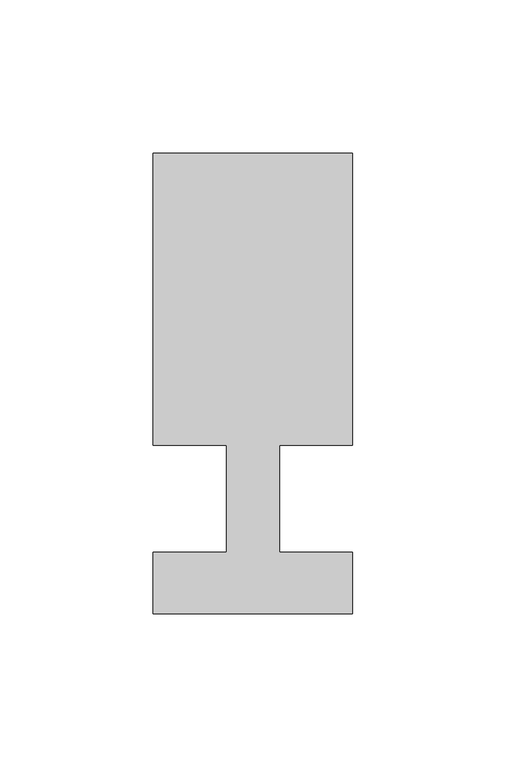
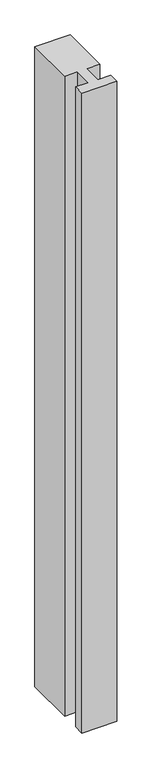
"""IFC4 building model written with IfcOpenShell, lengths in millimetres: member geometry."""

from ifc_helpers import new_model, si_unit, frame, origin, place, context, project, spatial, polyline, outline, extrude, source, transform, mapped, element, save


def member_efb3ffd8(model_context):
    return source(origin(), model_context, "Body", "SweptSolid", [
        extrude(outline(polyline([(-32.5, -37.0), (-32.5, -17.0), (-8.6875, -17.0), (-8.6875, 18.0), (-32.5, 18.0), (-32.5, 113.0), (32.5, 113.0), (32.5, 18.0), (8.6875, 18.0), (8.6875, -17.0), (32.5, -17.0), (32.5, -37.0), (-32.5, -37.0)])), frame((0.0, 0.0, -1250.0), z_axis=(0.0, 0.0, 1.0), x_axis=(1.0, 0.0, 0.0)), (0.0, 0.0, 1.0), 1250.0),
    ])


if __name__ == "__main__":
    model = new_model("IFC4")
    model_context = context("Model", 3, world=origin())
    ifc_project = project(units=[si_unit("LENGTHUNIT", "METRE", prefix="MILLI")], contexts=[model_context])
    site = spatial("IfcSite", under=ifc_project)
    building = spatial("IfcBuilding", under=site)
    placement = place(None, origin())
    member_shape = member_efb3ffd8(model_context)
    element("IfcMember", 1, at=placement, inside=building, context=model_context, shape_type="MappedRepresentation", body=[
        mapped(member_shape, transform((0.0, 0.0, 0.0), x_axis=(1.0, 0.0, 0.0), y_axis=(0.0, 1.0, 0.0), z_axis=(0.0, 0.0, 1.0))),
    ])
    save(model, "model.ifc")
